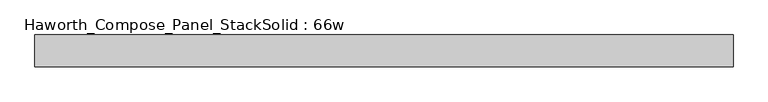
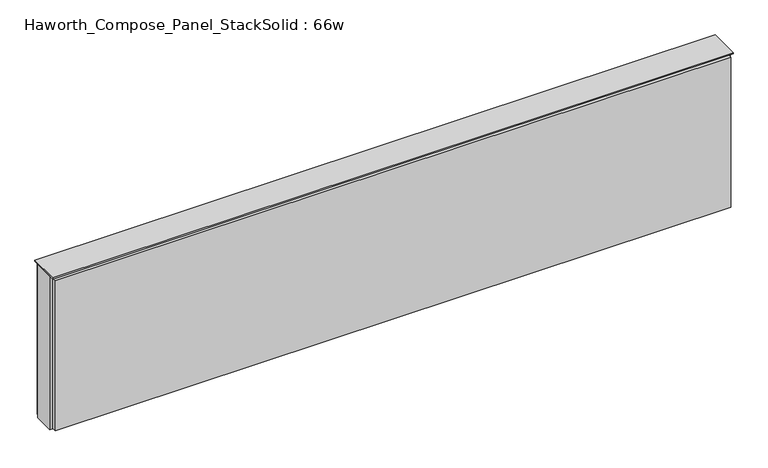
"""IFC4 building model written with IfcOpenShell, lengths in millimetres: furniture geometry, Haworth_Compose_Panel_StackSolid : 66w."""

from ifc_helpers import new_model, si_unit, frame, origin, place, context, project, spatial, polyline, outline, extrude, source, transform, mapped, element, save


def haworth_compose_panel_stacksolid_66w_087360b3(model_context):
    return source(origin(), model_context, "Body", "SweptSolid", [
        extrude(outline(polyline([(834.2902902, 38.1), (834.2902902, 25.4), (-829.4097098, 25.4), (-829.4097098, 38.1), (834.2902902, 38.1)])), frame((0.0, 0.0, 1066.8), z_axis=(0.0, 0.0, 1.0), x_axis=(1.0, 0.0, 0.0)), (0.0, 0.0, 1.0), 390.525),
        extrude(outline(polyline([(834.2902902, -38.1), (-829.4097098, -38.1), (-829.4097098, -25.4), (834.2902902, -25.4), (834.2902902, -38.1)])), frame((0.0, 0.0, 1069.975), z_axis=(0.0, 0.0, 1.0), x_axis=(1.0, 0.0, 0.0)), (0.0, 0.0, 1.0), 390.525),
        extrude(outline(polyline([(840.6402902, 25.4), (840.6402902, -25.4), (-835.7597098, -25.4), (-835.7597098, 25.4), (840.6402902, 25.4)])), frame((0.0, 0.0, 1066.8), z_axis=(0.0, 0.0, 1.0), x_axis=(1.0, 0.0, 0.0)), (0.0, 0.0, 1.0), 400.05),
        extrude(outline(polyline([(-835.7597098, -38.1), (-835.7597098, 38.1), (840.6402902, 38.1), (840.6402902, -38.1), (-835.7597098, -38.1)])), frame((0.0, 0.0, 1466.85), z_axis=(0.0, 0.0, 1.0), x_axis=(1.0, 0.0, 0.0)), (0.0, 0.0, 1.0), 3.175),
    ])


if __name__ == "__main__":
    model = new_model("IFC4")
    model_context = context("Model", 3, world=origin())
    ifc_project = project(units=[si_unit("LENGTHUNIT", "METRE", prefix="MILLI")], contexts=[model_context])
    site = spatial("IfcSite", under=ifc_project)
    building = spatial("IfcBuilding", under=site)
    placement = place(None, origin())
    haworth_compose_panel_stacksolid_66w_shape = haworth_compose_panel_stacksolid_66w_087360b3(model_context)
    element("IfcFurniture", 1, ObjectType="Haworth_Compose_Panel_StackSolid : 66w", at=placement, inside=building, context=model_context, shape_type="MappedRepresentation", body=[
        mapped(haworth_compose_panel_stacksolid_66w_shape, transform((0.0, 0.0, 0.0), x_axis=(1.0, 0.0, 0.0), y_axis=(0.0, 1.0, 0.0), z_axis=(0.0, 0.0, 1.0))),
    ])
    save(model, "model.ifc")
